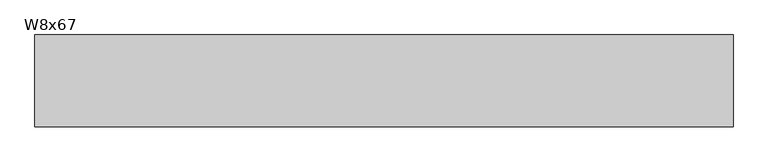
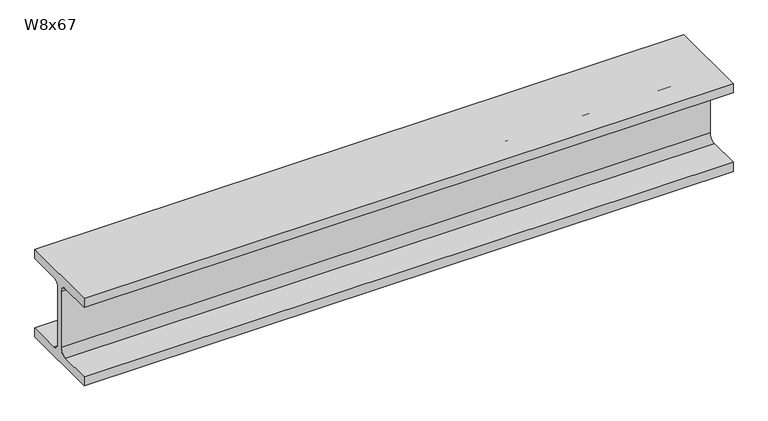
"""IFC4 building model written with IfcOpenShell, lengths in millimetres: beam geometry, W8x67."""

from ifc_helpers import new_model, si_unit, point, frame, frame_2d, origin, place, context, project, spatial, polyline, circle_curve, trimmed, segment, composite_curve, outline, extrude, source, transform, mapped, element, save


def w8x67_3ed66fd3(model_context):
    return source(origin(), model_context, "Body", "SweptSolid", [
        extrude(outline(composite_curve([segment(polyline([(105.156, -90.551), (105.156, -114.3), (-105.156, -114.3), (-105.156, -90.551), (-24.765, -90.551)]), True, "CONTINUOUS"), segment(trimmed(circle_curve(frame_2d((-24.765, -73.025)), 17.526), [point((-24.765, -90.551))], [point((-7.239, -73.025))], True, "CARTESIAN"), True, "CONTINUOUS"), segment(polyline([(-7.239, -73.025), (-7.239, 73.025)]), True, "CONTINUOUS"), segment(trimmed(circle_curve(frame_2d((-24.765, 73.025)), 17.526), [point((-7.239, 73.025))], [point((-24.765, 90.551))], True, "CARTESIAN"), True, "CONTINUOUS"), segment(polyline([(-24.765, 90.551), (-105.156, 90.551), (-105.156, 114.3), (105.156, 114.3), (105.156, 90.551), (24.765, 90.551)]), True, "CONTINUOUS"), segment(trimmed(circle_curve(frame_2d((24.765, 73.025)), 17.526), [point((24.765, 90.551))], [point((7.239, 73.025))], True, "CARTESIAN"), True, "CONTINUOUS"), segment(polyline([(7.239, 73.025), (7.239, -73.025)]), True, "CONTINUOUS"), segment(trimmed(circle_curve(frame_2d((24.765, -73.025)), 17.526), [point((7.239, -73.025))], [point((24.765, -90.551))], True, "CARTESIAN"), True, "CONTINUOUS"), segment(polyline([(24.765, -90.551), (105.156, -90.551)]), True, "CONTINUOUS")], self_intersect=False)), frame((-806.45, 0.0, 0.0), z_axis=(1.0, 0.0, 0.0), x_axis=(0.0, 1.0, 0.0)), (0.0, 0.0, 1.0), 1600.1999994),
    ])


if __name__ == "__main__":
    model = new_model("IFC4")
    model_context = context("Model", 3, world=origin())
    ifc_project = project(units=[si_unit("LENGTHUNIT", "METRE", prefix="MILLI")], contexts=[model_context])
    site = spatial("IfcSite", under=ifc_project)
    building = spatial("IfcBuilding", under=site)
    placement = place(None, origin())
    w8x67_shape = w8x67_3ed66fd3(model_context)
    element("IfcBeam", 1, ObjectType="W8x67", at=placement, inside=building, context=model_context, shape_type="MappedRepresentation", body=[
        mapped(w8x67_shape, transform((0.0, 0.0, 0.0), x_axis=(1.0, 0.0, 0.0), y_axis=(0.0, 1.0, 0.0), z_axis=(0.0, 0.0, 1.0))),
    ])
    save(model, "model.ifc")
